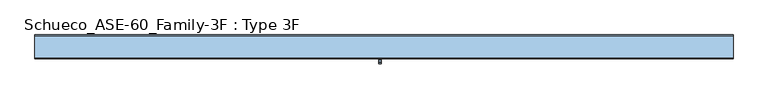
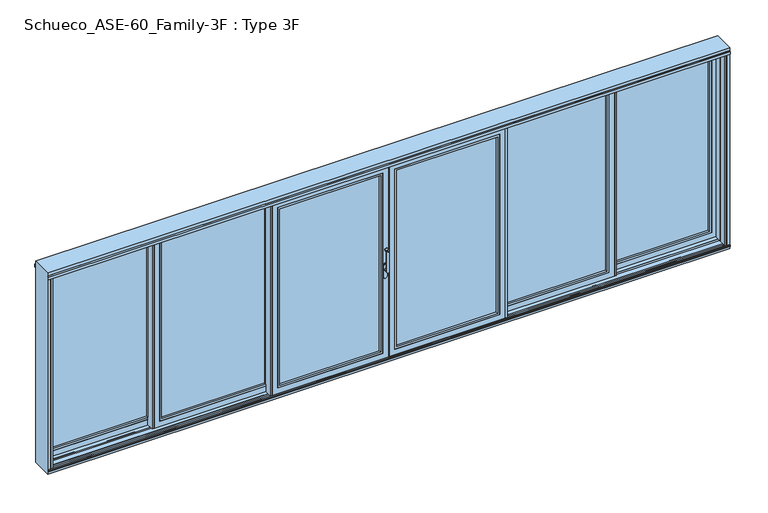
"""IFC4 building model written with IfcOpenShell, lengths in millimetres: window geometry, Schueco_ASE-60_Family-3F : Type 3F."""

from ifc_helpers import new_model, si_unit, point, frame, frame_2d, origin, origin_with_axes, place, context, project, spatial, polyline, circle_curve, trimmed, segment, composite_curve, outline, extrude, faceted_brep, source, transform, mapped, element, save
from ifc_brep_helpers import plane_surface, cylinder_surface, revolved_surface, advanced_brep


def schueco_ase_60_family_3f_type_3f_ba72e3e5(model_context):
    return source(origin(), model_context, "Body", "SolidModel", [
        extrude(outline(polyline([(2342.3316454, 90.0), (2362.3316149, 90.0), (2362.3316149, 84.5), (2346.1317105, 84.5), (2346.1317105, 30.0000255), (2393.3332385, 30.0000255), (2393.3332385, 14.0000255), (2342.3316454, 14.0000255), (2342.3316454, 90.0)])), frame((0.0, 0.0, 3.9982816), z_axis=(0.0, 0.0, 1.0), x_axis=(1.0, 0.0, 0.0)), (0.0, 0.0, 1.0), 2127.0034368),
        extrude(outline(polyline([(2071.0, 3491.0), (2071.0, 2422.3333333), (64.0, 2422.3333333), (64.0, 3491.0), (2071.0, 3491.0)]), holes=[polyline([(2048.987351, 2444.3459824), (2048.987351, 3468.987351), (86.012649, 3468.987351), (86.012649, 2444.3459824), (2048.987351, 2444.3459824)])]), frame((0.0, 30.0000255, 0.0), z_axis=(0.0, 1.0, 0.0), x_axis=(0.0, 0.0, 1.0)), (0.0, 0.0, 1.0), 22.9999656),
        extrude(outline(polyline([(3491.0, 78.9999911), (3491.0, 52.9999911), (2422.3333333, 52.9999911), (2422.3333333, 78.9999911), (3491.0, 78.9999911)])), frame((0.0, 0.0, 64.0), z_axis=(0.0, 0.0, 1.0), x_axis=(1.0, 0.0, 0.0)), (0.0, 0.0, 1.0), 2007.0),
        faceted_brep([(2444.3333333, 78.9999911, 2049.0), (2444.3333333, 78.9999911, 86.0), (2444.3333333, 90.0, 86.0), (2444.3333333, 90.0, 2049.0), (2362.3316149, 90.0, 2131.0017184), (3551.0017184, 90.0, 2131.0017184), (3551.0017184, 90.0, 3.9982816), (2362.3316149, 90.0, 3.9982816), (3469.0, 90.0, 2049.0), (3469.0, 90.0, 86.0), (3469.0, 78.9999911, 86.0), (3491.0, 78.9999911, 2071.0), (2422.3333333, 78.9999911, 2071.0), (2422.3333333, 78.9999911, 64.0), (3491.0, 78.9999911, 64.0), (3469.0, 78.9999911, 2049.0), (2422.3333333, 30.0000255, 2071.0), (2422.3333333, 30.0000255, 64.0), (3491.0, 30.0000255, 64.0), (3551.0, 30.0000255, 2131.0), (2362.3333333, 30.0000255, 2131.0), (2362.3333333, 30.0000255, 4.0), (3551.0, 30.0000255, 4.0), (3491.0, 30.0000255, 2071.0), (2362.3333333, 35.5000255, 2131.0), (2362.3333333, 35.5000255, 4.0), (3551.0, 35.5000255, 4.0), (3551.0, 35.5000255, 2131.0), (3521.0, 35.5000255, 2101.0), (2392.3333333, 35.5000255, 2101.0), (2392.3333333, 35.5000255, 34.0), (3521.0, 35.5000255, 34.0), (2392.3333333, 84.5000332, 2101.0), (2392.3333333, 84.5000332, 34.0), (3521.0, 84.5000332, 34.0), (3551.0017184, 84.5000332, 2131.0017184), (2362.3316149, 84.5000332, 2131.0017184), (2362.3316149, 84.5000332, 3.9982816), (3551.0017184, 84.5000332, 3.9982816), (3521.0, 84.5000332, 2101.0)], [[[0, 1, 2, 3]], [[4, 5, 6, 7], [8, 3, 2, 9]], [[1, 10, 9, 2]], [[11, 12, 13, 14], [0, 15, 10, 1]], [[16, 17, 13, 12]], [[17, 18, 14, 13]], [[19, 20, 21, 22], [16, 23, 18, 17]], [[24, 25, 21, 20]], [[25, 26, 22, 21]], [[24, 27, 26, 25], [28, 29, 30, 31]], [[32, 33, 30, 29]], [[33, 34, 31, 30]], [[35, 36, 37, 38], [32, 39, 34, 33]], [[4, 7, 37, 36]], [[7, 6, 38, 37]], [[10, 15, 8, 9]], [[18, 23, 11, 14]], [[26, 27, 19, 22]], [[34, 39, 28, 31]], [[6, 5, 35, 38]], [[15, 0, 3, 8]], [[23, 16, 12, 11]], [[27, 24, 20, 19]], [[39, 32, 29, 28]], [[5, 4, 36, 35]]]),
        extrude(outline(polyline([(-2342.3316454, 90.0), (-2342.3316454, 14.0000255), (-2393.3332385, 14.0000255), (-2393.3332385, 30.0000255), (-2346.1317105, 30.0000255), (-2346.1317105, 84.5), (-2362.3316149, 84.5), (-2362.3316149, 90.0), (-2342.3316454, 90.0)])), frame((0.0, 0.0, 3.9982816), z_axis=(0.0, 0.0, 1.0), x_axis=(1.0, 0.0, 0.0)), (0.0, 0.0, 1.0), 2127.0034368),
        extrude(outline(polyline([(2071.0, -3491.0), (64.0, -3491.0), (64.0, -2422.3333333), (2071.0, -2422.3333333), (2071.0, -3491.0)]), holes=[polyline([(2048.987351, -2444.3459824), (86.012649, -2444.3459824), (86.012649, -3468.987351), (2048.987351, -3468.987351), (2048.987351, -2444.3459824)])]), frame((0.0, 30.0000255, 0.0), z_axis=(0.0, 1.0, 0.0), x_axis=(0.0, 0.0, 1.0)), (0.0, 0.0, 1.0), 22.9999656),
        extrude(outline(polyline([(-3491.0, 78.9999911), (-2422.3333333, 78.9999911), (-2422.3333333, 52.9999911), (-3491.0, 52.9999911), (-3491.0, 78.9999911)])), frame((0.0, 0.0, 64.0), z_axis=(0.0, 0.0, 1.0), x_axis=(1.0, 0.0, 0.0)), (0.0, 0.0, 1.0), 2007.0),
        faceted_brep([(-2444.3333333, 78.9999911, 2049.0), (-2444.3333333, 90.0, 2049.0), (-2444.3333333, 90.0, 86.0), (-2444.3333333, 78.9999911, 86.0), (-2362.3316149, 90.0, 2131.0017184), (-2362.3316149, 90.0, 3.9982816), (-3551.0017184, 90.0, 3.9982816), (-3551.0017184, 90.0, 2131.0017184), (-3469.0, 90.0, 2049.0), (-3469.0, 90.0, 86.0), (-3469.0, 78.9999911, 86.0), (-3491.0, 78.9999911, 2071.0), (-3491.0, 78.9999911, 64.0), (-2422.3333333, 78.9999911, 64.0), (-2422.3333333, 78.9999911, 2071.0), (-3469.0, 78.9999911, 2049.0), (-2422.3333333, 30.0000255, 2071.0), (-2422.3333333, 30.0000255, 64.0), (-3491.0, 30.0000255, 64.0), (-3551.0, 30.0000255, 2131.0), (-3551.0, 30.0000255, 4.0), (-2362.3333333, 30.0000255, 4.0), (-2362.3333333, 30.0000255, 2131.0), (-3491.0, 30.0000255, 2071.0), (-2362.3333333, 35.5000255, 2131.0), (-2362.3333333, 35.5000255, 4.0), (-3551.0, 35.5000255, 4.0), (-3551.0, 35.5000255, 2131.0), (-3521.0, 35.5000255, 2101.0), (-3521.0, 35.5000255, 34.0), (-2392.3333333, 35.5000255, 34.0), (-2392.3333333, 35.5000255, 2101.0), (-2392.3333333, 84.5000332, 2101.0), (-2392.3333333, 84.5000332, 34.0), (-3521.0, 84.5000332, 34.0), (-3551.0017184, 84.5000332, 2131.0017184), (-3551.0017184, 84.5000332, 3.9982816), (-2362.3316149, 84.5000332, 3.9982816), (-2362.3316149, 84.5000332, 2131.0017184), (-3521.0, 84.5000332, 2101.0)], [[[0, 1, 2, 3]], [[4, 5, 6, 7], [8, 9, 2, 1]], [[3, 2, 9, 10]], [[11, 12, 13, 14], [0, 3, 10, 15]], [[16, 14, 13, 17]], [[17, 13, 12, 18]], [[19, 20, 21, 22], [16, 17, 18, 23]], [[24, 22, 21, 25]], [[25, 21, 20, 26]], [[24, 25, 26, 27], [28, 29, 30, 31]], [[32, 31, 30, 33]], [[33, 30, 29, 34]], [[35, 36, 37, 38], [32, 33, 34, 39]], [[4, 38, 37, 5]], [[5, 37, 36, 6]], [[10, 9, 8, 15]], [[18, 12, 11, 23]], [[26, 20, 19, 27]], [[34, 29, 28, 39]], [[6, 36, 35, 7]], [[15, 8, 1, 0]], [[23, 11, 14, 16]], [[27, 19, 22, 24]], [[39, 28, 31, 32]], [[7, 35, 38, 4]]]),
        advanced_brep(
        [(-30.25, -191.9999695, 999.0), (-30.25, -191.9999695, 1224.2360009), (-54.25, -191.9999695, 1224.2360009), (-54.25, -191.9999695, 999.0), (-30.25, -143.9999695, 999.005052), (-54.25, -143.9999695, 999.005052), (-54.25, -179.9999695, 999.005052), (-30.25, -179.9999695, 999.005052), (-54.25, -191.414183, 1225.6502145), (-54.25, -180.6501229, 1236.4142746), (-54.25, -179.2359094, 1237.000061), (-54.25, -151.9999695, 1237.000061), (-54.25, -149.9999695, 1235.000061), (-54.25, -149.9999695, 1224.000061), (-54.25, -151.9999695, 1222.000061), (-54.25, -172.6493095, 1222.000061), (-54.25, -179.9999695, 1214.6494011), (-30.25, -179.9999695, 1214.6494011), (-30.25, -172.6493095, 1222.000061), (-30.25, -151.9999695, 1222.000061), (-30.25, -149.9999695, 1224.000061), (-30.25, -149.9999695, 1235.000061), (-30.25, -151.9999695, 1237.000061), (-30.25, -179.2359094, 1237.000061), (-30.25, -180.6501229, 1236.4142746), (-30.25, -191.414183, 1225.6502145)],
        [
            (0, 1),
            (1, 2),
            (2, 3),
            (3, 0, circle_curve(frame((-42.25, -191.9999695, 999.005052), z_axis=(0.0, -1.0, 0.0), x_axis=(-1.0000000000000009, 0.0, 0.0)), 12.0)),
            (4, 5, circle_curve(frame((-42.25, -143.9999695, 999.005052), z_axis=(0.0, 1.0, 0.0), x_axis=(-1.0000000000000009, 0.0, 0.0)), 12.0)),
            (5, 4, circle_curve(frame((-42.25, -143.9999695, 999.005052), z_axis=(0.0, 1.0, 0.0), x_axis=(-1.0000000000000009, 0.0, 0.0)), 12.0)),
            (3, 6),
            (6, 5),
            (4, 7),
            (7, 0),
            (6, 7, circle_curve(frame((-42.25, -179.9999695, 999.005052), z_axis=(0.0, 1.0, 0.0), x_axis=(-1.0000000000000009, 0.0, 0.0)), 12.0)),
            (2, 8, circle_curve(frame((-54.25, -189.9999695, 1224.2360009), z_axis=(-1.0, 0.0, 0.0), x_axis=(0.0, 0.0, -1.0)), 2.0)),
            (8, 9),
            (9, 10, circle_curve(frame((-54.25, -179.2359094, 1235.000061), z_axis=(-1.0, 0.0, 0.0), x_axis=(0.0, 0.0, -1.0)), 2.0)),
            (10, 11),
            (11, 12, circle_curve(frame((-54.25, -151.9999695, 1235.000061), z_axis=(-1.0, 0.0, 0.0), x_axis=(0.0, 0.0, -1.0)), 2.0)),
            (12, 13),
            (13, 14, circle_curve(frame((-54.25, -151.9999695, 1224.000061), z_axis=(-1.0, 0.0, 0.0), x_axis=(0.0, 0.0, -1.0)), 2.0)),
            (14, 15),
            (15, 16, circle_curve(frame((-54.25, -172.6493095, 1214.6494011), z_axis=(1.0, 0.0, 0.0), x_axis=(0.0, 0.0, -1.0)), 7.35066)),
            (16, 6),
            (7, 17),
            (17, 18, circle_curve(frame((-30.25, -172.6493095, 1214.6494011), z_axis=(-1.0, 0.0, 0.0), x_axis=(0.0, 0.0, -1.0)), 7.35066)),
            (18, 19),
            (19, 20, circle_curve(frame((-30.25, -151.9999695, 1224.000061), z_axis=(1.0, 0.0, 0.0), x_axis=(0.0, 0.0, -1.0)), 2.0)),
            (20, 21),
            (21, 22, circle_curve(frame((-30.25, -151.9999695, 1235.000061), z_axis=(1.0, 0.0, 0.0), x_axis=(0.0, 0.0, -1.0)), 2.0)),
            (22, 23),
            (23, 24, circle_curve(frame((-30.25, -179.2359094, 1235.000061), z_axis=(1.0, 0.0, 0.0), x_axis=(0.0, 0.0, -1.0)), 2.0)),
            (24, 25),
            (25, 1, circle_curve(frame((-30.25, -189.9999695, 1224.2360009), z_axis=(1.0, 0.0, 0.0), x_axis=(0.0, 0.0, -1.0)), 2.0)),
            (16, 17),
            (15, 18),
            (14, 19),
            (13, 20),
            (12, 21),
            (11, 22),
            (10, 23),
            (9, 24),
            (8, 25),
        ],
        [
            plane_surface(frame((-54.25, -191.9999695, 999.005052), z_axis=(0.0, -1.0, 0.0), x_axis=(0.0, 0.0, 1.0))),
            plane_surface(frame((-54.25, -143.9999695, 999.005052), z_axis=(0.0, 1.0, 0.0), x_axis=(0.0, 0.0, -1.0))),
            cylinder_surface(frame((-42.25, -143.9999695, 999.005052), z_axis=(0.0, -1.0000000000000009, 0.0), x_axis=(-1.0000000000000009, 0.0, 0.0)), 12.0),
            plane_surface(frame((-54.25, -191.9999695, 1004.7503433), z_axis=(-1.0, 0.0, 0.0), x_axis=(0.0, 0.0, -1.0))),
            plane_surface(frame((-30.25, -191.9999695, 1004.7503433), z_axis=(1.0, 0.0, 0.0), x_axis=(0.0, 0.0, 1.0))),
            plane_surface(frame((-54.25, -179.9999695, 999.0), z_axis=(0.0, 1.0, 0.0), x_axis=(1.0, 0.0, 0.0))),
            revolved_surface(polyline([(-30.25, -172.6493095, 1207.2987411), (-54.25000000000004, -172.6493095, 1207.2987411)]), (-30.25, -172.6493095, 1214.6494011), (1.0000000000000009, 0.0, 0.0)),
            plane_surface(frame((-54.25, -172.6493095, 1222.000061), z_axis=(0.0, 0.0, -1.0), x_axis=(1.0, 0.0, 0.0))),
            cylinder_surface(frame((-30.25, -151.9999695, 1224.000061), z_axis=(-1.0000000000000009, 0.0, 0.0), x_axis=(0.0, 0.0, -1.0)), 2.0),
            plane_surface(frame((-54.25, -149.9999695, 1224.000061), z_axis=(0.0, 1.0, 0.0), x_axis=(1.0, 0.0, 0.0))),
            cylinder_surface(frame((-30.25, -151.9999695, 1235.000061), z_axis=(-1.0000000000000009, 0.0, 0.0), x_axis=(0.0, 0.0, -1.0)), 2.0),
            plane_surface(frame((-54.25, -151.9999695, 1237.000061), z_axis=(0.0, 0.0, 1.0), x_axis=(1.0, 0.0, 0.0))),
            cylinder_surface(frame((-30.25, -179.2359094, 1235.000061), z_axis=(-1.0000000000000009, 0.0, 0.0), x_axis=(0.0, 0.0, -1.0)), 2.0),
            plane_surface(frame((-54.25, -180.6501229, 1236.4142746), z_axis=(0.0, -0.7071067811865419, 0.7071067811865531), x_axis=(1.0, 0.0, 0.0))),
            cylinder_surface(frame((-30.25, -189.9999695, 1224.2360009), z_axis=(-1.0000000000000009, 0.0, 0.0), x_axis=(0.0, 0.0, -1.0)), 2.0),
        ],
        [
            (0, [[1, 2, 3, 4]]),
            (1, [[5, 6]]),
            (2, [[7, 8, -5, 9, 10, -4]]),
            (2, [[-8, 11, -9, -6]]),
            (3, [[12, 13, 14, 15, 16, 17, 18, 19, 20, 21, -7, -3]]),
            (4, [[-1, -10, 22, 23, 24, 25, 26, 27, 28, 29, 30, 31]]),
            (5, [[32, -22, -11, -21]]),
            (6, [[33, -23, -32, -20]]),
            (7, [[34, -24, -33, -19]]),
            (8, [[35, -25, -34, -18]]),
            (9, [[36, -26, -35, -17]]),
            (10, [[37, -27, -36, -16]]),
            (11, [[38, -28, -37, -15]]),
            (12, [[39, -29, -38, -14]]),
            (13, [[40, -30, -39, -13]]),
            (14, [[-2, -31, -40, -12]]),
        ],
    ),
        extrude(outline(composite_curve([segment(polyline([(917.2823932, -25.5), (1044.0099288, -25.5)]), True, "CONTINUOUS"), segment(trimmed(circle_curve(frame_2d((1044.0099288, -42.25)), 16.75), [point((1044.0099288, -25.5))], [point((1044.0099288, -59.0))], False, "CARTESIAN"), True, "CONTINUOUS"), segment(polyline([(1044.0099288, -59.0), (917.2823932, -59.0)]), True, "CONTINUOUS"), segment(trimmed(circle_curve(frame_2d((917.2823932, -42.25)), 16.75), [point((917.2823932, -59.0))], [point((917.2823932, -25.5))], False, "CARTESIAN"), True, "CONTINUOUS")], self_intersect=False)), frame((0.0, -143.9999695, 0.0), z_axis=(0.0, 1.0, 0.0), x_axis=(0.0, 0.0, 1.0)), (0.0, 0.0, 1.0), 13.9999695),
        extrude(outline(polyline([(-1196.6650431, -54.0000255), (-1196.6650431, -70.0000255), (-1243.8665711, -70.0000255), (-1243.8665711, -124.5), (-1227.6666667, -124.5), (-1227.6666667, -130.0), (-1247.6666361, -130.0), (-1247.6666361, -54.0000255), (-1196.6650431, -54.0000255)])), frame((0.0, 0.0, 4.0), z_axis=(0.0, 0.0, 1.0), x_axis=(1.0, 0.0, 0.0)), (0.0, 0.0, 1.0), 2127.0),
        extrude(outline(polyline([(2071.0, -64.0), (2071.0, -1167.6666667), (64.0, -1167.6666667), (64.0, -64.0), (2071.0, -64.0)]), holes=[polyline([(2048.987351, -1145.6540176), (2048.987351, -86.012649), (86.012649, -86.012649), (86.012649, -1145.6540176), (2048.987351, -1145.6540176)])]), frame((0.0, -130.0, 0.0), z_axis=(0.0, 1.0, 0.0), x_axis=(0.0, 0.0, 1.0)), (0.0, 0.0, 1.0), 22.9999656),
        extrude(outline(polyline([(-64.0, -81.0000344), (-64.0, -107.0000344), (-1167.6666667, -107.0000344), (-1167.6666667, -81.0000344), (-64.0, -81.0000344)])), frame((0.0, 0.0, 64.0), z_axis=(0.0, 0.0, 1.0), x_axis=(1.0, 0.0, 0.0)), (0.0, 0.0, 1.0), 2007.0),
        faceted_brep([(-1145.6666667, -81.0000344, 2049.0), (-1145.6666667, -81.0000344, 86.0), (-1145.6666667, -70.0000255, 86.0), (-1145.6666667, -70.0000255, 2049.0), (-1227.6683851, -70.0000255, 2131.0017184), (-3.9982816, -70.0000255, 2131.0017184), (-3.9982816, -70.0000255, 3.9982816), (-1227.6683851, -70.0000255, 3.9982816), (-86.0, -70.0000255, 2049.0), (-86.0, -70.0000255, 86.0), (-86.0, -81.0000344, 86.0), (-64.0, -81.0000344, 2071.0), (-1167.6666667, -81.0000344, 2071.0), (-1167.6666667, -81.0000344, 64.0), (-64.0, -81.0000344, 64.0), (-86.0, -81.0000344, 2049.0), (-1167.6666667, -130.0, 2071.0), (-1167.6666667, -130.0, 64.0), (-64.0, -130.0, 64.0), (-4.0, -130.0, 2131.0), (-1227.6666667, -130.0, 2131.0), (-1227.6666667, -130.0, 4.0), (-4.0, -130.0, 4.0), (-64.0, -130.0, 2071.0), (-1227.6666667, -124.5, 2131.0), (-1227.6666667, -124.5, 4.0), (-4.0, -124.5, 4.0), (-4.0, -124.5, 2131.0), (-34.0, -124.5, 2101.0), (-1197.6666667, -124.5, 2101.0), (-1197.6666667, -124.5, 34.0), (-34.0, -124.5, 34.0), (-1197.6666667, -75.4999923, 2101.0), (-1197.6666667, -75.4999923, 34.0), (-34.0, -75.4999923, 34.0), (-3.9982816, -75.4999923, 2131.0017184), (-1227.6683851, -75.4999923, 2131.0017184), (-1227.6683851, -75.4999923, 3.9982816), (-3.9982816, -75.4999923, 3.9982816), (-34.0, -75.4999923, 2101.0)], [[[0, 1, 2, 3]], [[4, 5, 6, 7], [8, 3, 2, 9]], [[1, 10, 9, 2]], [[11, 12, 13, 14], [0, 15, 10, 1]], [[16, 17, 13, 12]], [[17, 18, 14, 13]], [[19, 20, 21, 22], [16, 23, 18, 17]], [[24, 25, 21, 20]], [[25, 26, 22, 21]], [[24, 27, 26, 25], [28, 29, 30, 31]], [[32, 33, 30, 29]], [[33, 34, 31, 30]], [[35, 36, 37, 38], [32, 39, 34, 33]], [[4, 7, 37, 36]], [[7, 6, 38, 37]], [[10, 15, 8, 9]], [[18, 23, 11, 14]], [[26, 27, 19, 22]], [[34, 39, 28, 31]], [[6, 5, 35, 38]], [[15, 0, 3, 8]], [[23, 16, 12, 11]], [[27, 24, 20, 19]], [[39, 32, 29, 28]], [[5, 4, 36, 35]]]),
        extrude(outline(polyline([(-12.2016228, -124.5), (-12.2016228, -75.5000255), (34.0, -75.5000255), (34.0, -124.5), (-12.2016228, -124.5)])), frame((0.0, 0.0, 34.0), z_axis=(0.0, 0.0, 1.0), x_axis=(1.0, 0.0, 0.0)), (0.0, 0.0, 1.0), 2067.0),
        extrude(outline(polyline([(1196.6650431, -54.0000255), (1247.6666361, -54.0000255), (1247.6666361, -130.0), (1227.6666667, -130.0), (1227.6666667, -124.5), (1243.8665711, -124.5), (1243.8665711, -70.0000255), (1196.6650431, -70.0000255), (1196.6650431, -54.0000255)])), frame((0.0, 0.0, 4.0), z_axis=(0.0, 0.0, 1.0), x_axis=(1.0, 0.0, 0.0)), (0.0, 0.0, 1.0), 2127.0),
        extrude(outline(polyline([(2071.0, 64.0), (64.0, 64.0), (64.0, 1167.6666667), (2071.0, 1167.6666667), (2071.0, 64.0)]), holes=[polyline([(2048.987351, 1145.6540176), (86.012649, 1145.6540176), (86.012649, 86.012649), (2048.987351, 86.012649), (2048.987351, 1145.6540176)])]), frame((0.0, -130.0, 0.0), z_axis=(0.0, 1.0, 0.0), x_axis=(0.0, 0.0, 1.0)), (0.0, 0.0, 1.0), 22.9999656),
        extrude(outline(polyline([(64.0, -81.0000344), (1167.6666667, -81.0000344), (1167.6666667, -107.0000344), (64.0, -107.0000344), (64.0, -81.0000344)])), frame((0.0, 0.0, 64.0), z_axis=(0.0, 0.0, 1.0), x_axis=(1.0, 0.0, 0.0)), (0.0, 0.0, 1.0), 2007.0),
        faceted_brep([(1145.6666667, -81.0000344, 2049.0), (1145.6666667, -70.0000255, 2049.0), (1145.6666667, -70.0000255, 86.0), (1145.6666667, -81.0000344, 86.0), (1227.6683851, -70.0000255, 2131.0017184), (1227.6683851, -70.0000255, 3.9982816), (3.9982816, -70.0000255, 3.9982816), (3.9982816, -70.0000255, 2131.0017184), (86.0, -70.0000255, 2049.0), (86.0, -70.0000255, 86.0), (86.0, -81.0000344, 86.0), (64.0, -81.0000344, 2071.0), (64.0, -81.0000344, 64.0), (1167.6666667, -81.0000344, 64.0), (1167.6666667, -81.0000344, 2071.0), (86.0, -81.0000344, 2049.0), (1167.6666667, -130.0, 2071.0), (1167.6666667, -130.0, 64.0), (64.0, -130.0, 64.0), (4.0, -130.0, 2131.0), (4.0, -130.0, 4.0), (1227.6666667, -130.0, 4.0), (1227.6666667, -130.0, 2131.0), (64.0, -130.0, 2071.0), (1227.6666667, -124.5, 2131.0), (1227.6666667, -124.5, 4.0), (4.0, -124.5, 4.0), (4.0, -124.5, 2131.0), (34.0, -124.5, 2101.0), (34.0, -124.5, 34.0), (1197.6666667, -124.5, 34.0), (1197.6666667, -124.5, 2101.0), (1197.6666667, -75.4999923, 2101.0), (1197.6666667, -75.4999923, 34.0), (34.0, -75.4999923, 34.0), (3.9982816, -75.4999923, 2131.0017184), (3.9982816, -75.4999923, 3.9982816), (1227.6683851, -75.4999923, 3.9982816), (1227.6683851, -75.4999923, 2131.0017184), (34.0, -75.4999923, 2101.0)], [[[0, 1, 2, 3]], [[4, 5, 6, 7], [8, 9, 2, 1]], [[3, 2, 9, 10]], [[11, 12, 13, 14], [0, 3, 10, 15]], [[16, 14, 13, 17]], [[17, 13, 12, 18]], [[19, 20, 21, 22], [16, 17, 18, 23]], [[24, 22, 21, 25]], [[25, 21, 20, 26]], [[24, 25, 26, 27], [28, 29, 30, 31]], [[32, 31, 30, 33]], [[33, 30, 29, 34]], [[35, 36, 37, 38], [32, 33, 34, 39]], [[4, 38, 37, 5]], [[5, 37, 36, 6]], [[10, 9, 8, 15]], [[18, 12, 11, 23]], [[26, 20, 19, 27]], [[34, 29, 28, 39]], [[6, 36, 35, 7]], [[15, 8, 1, 0]], [[23, 11, 14, 16]], [[27, 19, 22, 24]], [[39, 28, 31, 32]], [[7, 35, 38, 4]]]),
        extrude(outline(polyline([(-1145.6649788, 10.0), (-1145.6649788, -65.9999745), (-1196.6665719, -65.9999745), (-1196.6665719, -49.9999745), (-1149.4650438, -49.9999745), (-1149.4650438, 4.5), (-1165.6649483, 4.5), (-1165.6649483, 10.0), (-1145.6649788, 10.0)])), frame((0.0, 0.0, 3.9982816), z_axis=(0.0, 0.0, 1.0), x_axis=(1.0, 0.0, 0.0)), (0.0, 0.0, 1.0), 2127.0034368),
        extrude(outline(polyline([(-2393.3317097, 26.0), (-2393.3317097, 10.0), (-2440.5332378, 10.0), (-2440.5332378, -44.4999745), (-2424.3333333, -44.4999745), (-2424.3333333, -49.9999745), (-2444.3333028, -49.9999745), (-2444.3333028, 26.0), (-2393.3317097, 26.0)])), frame((0.0, 0.0, 4.0), z_axis=(0.0, 0.0, 1.0), x_axis=(1.0, 0.0, 0.0)), (0.0, 0.0, 1.0), 2127.0),
        extrude(outline(polyline([(2071.0, -1225.6666667), (2071.0, -2364.3333333), (64.0, -2364.3333333), (64.0, -1225.6666667), (2071.0, -1225.6666667)]), holes=[polyline([(2048.987351, -2342.3206843), (2048.987351, -1247.6793157), (86.012649, -1247.6793157), (86.012649, -2342.3206843), (2048.987351, -2342.3206843)])]), frame((0.0, -49.9999745, 0.0), z_axis=(0.0, 1.0, 0.0), x_axis=(0.0, 0.0, 1.0)), (0.0, 0.0, 1.0), 22.9999656),
        extrude(outline(polyline([(-1225.6666667, -1.0000089), (-1225.6666667, -27.0000089), (-2364.3333333, -27.0000089), (-2364.3333333, -1.0000089), (-1225.6666667, -1.0000089)])), frame((0.0, 0.0, 64.0), z_axis=(0.0, 0.0, 1.0), x_axis=(1.0, 0.0, 0.0)), (0.0, 0.0, 1.0), 2007.0),
        faceted_brep([(-2342.3333333, -1.0000089, 2049.0), (-2342.3333333, -1.0000089, 86.0), (-2342.3333333, 10.0, 86.0), (-2342.3333333, 10.0, 2049.0), (-2424.3350517, 10.0, 2131.0017184), (-1165.6649483, 10.0, 2131.0017184), (-1165.6649483, 10.0, 3.9982816), (-2424.3350517, 10.0, 3.9982816), (-1247.6666667, 10.0, 2049.0), (-1247.6666667, 10.0, 86.0), (-1247.6666667, -1.0000089, 86.0), (-1225.6666667, -1.0000089, 2071.0), (-2364.3333333, -1.0000089, 2071.0), (-2364.3333333, -1.0000089, 64.0), (-1225.6666667, -1.0000089, 64.0), (-1247.6666667, -1.0000089, 2049.0), (-2364.3333333, -49.9999745, 2071.0), (-2364.3333333, -49.9999745, 64.0), (-1225.6666667, -49.9999745, 64.0), (-1165.6666667, -49.9999745, 2131.0), (-2424.3333333, -49.9999745, 2131.0), (-2424.3333333, -49.9999745, 4.0), (-1165.6666667, -49.9999745, 4.0), (-1225.6666667, -49.9999745, 2071.0), (-2424.3333333, -44.4999745, 2131.0), (-2424.3333333, -44.4999745, 4.0), (-1165.6666667, -44.4999745, 4.0), (-1165.6666667, -44.4999745, 2131.0), (-1195.6666667, -44.4999745, 2101.0), (-2394.3333333, -44.4999745, 2101.0), (-2394.3333333, -44.4999745, 34.0), (-1195.6666667, -44.4999745, 34.0), (-2394.3333333, 4.5000332, 2101.0), (-2394.3333333, 4.5000332, 34.0), (-1195.6666667, 4.5000332, 34.0), (-1165.6649483, 4.5000332, 2131.0017184), (-2424.3350517, 4.5000332, 2131.0017184), (-2424.3350517, 4.5000332, 3.9982816), (-1165.6649483, 4.5000332, 3.9982816), (-1195.6666667, 4.5000332, 2101.0)], [[[0, 1, 2, 3]], [[4, 5, 6, 7], [8, 3, 2, 9]], [[1, 10, 9, 2]], [[11, 12, 13, 14], [0, 15, 10, 1]], [[16, 17, 13, 12]], [[17, 18, 14, 13]], [[19, 20, 21, 22], [16, 23, 18, 17]], [[24, 25, 21, 20]], [[25, 26, 22, 21]], [[24, 27, 26, 25], [28, 29, 30, 31]], [[32, 33, 30, 29]], [[33, 34, 31, 30]], [[35, 36, 37, 38], [32, 39, 34, 33]], [[4, 7, 37, 36]], [[7, 6, 38, 37]], [[10, 15, 8, 9]], [[18, 23, 11, 14]], [[26, 27, 19, 22]], [[34, 39, 28, 31]], [[6, 5, 35, 38]], [[15, 0, 3, 8]], [[23, 16, 12, 11]], [[27, 24, 20, 19]], [[39, 32, 29, 28]], [[5, 4, 36, 35]]]),
        extrude(outline(polyline([(1145.6649788, 10.0), (1165.6649483, 10.0), (1165.6649483, 4.5), (1149.4650438, 4.5), (1149.4650438, -49.9999745), (1196.6665719, -49.9999745), (1196.6665719, -65.9999745), (1145.6649788, -65.9999745), (1145.6649788, 10.0)])), frame((0.0, 0.0, 3.9982816), z_axis=(0.0, 0.0, 1.0), x_axis=(1.0, 0.0, 0.0)), (0.0, 0.0, 1.0), 2127.0034368),
        extrude(outline(polyline([(2393.3317097, 26.0), (2444.3333028, 26.0), (2444.3333028, -49.9999745), (2424.3333333, -49.9999745), (2424.3333333, -44.4999745), (2440.5332378, -44.4999745), (2440.5332378, 10.0), (2393.3317097, 10.0), (2393.3317097, 26.0)])), frame((0.0, 0.0, 4.0), z_axis=(0.0, 0.0, 1.0), x_axis=(1.0, 0.0, 0.0)), (0.0, 0.0, 1.0), 2127.0),
        extrude(outline(polyline([(2071.0, 1225.6666667), (64.0, 1225.6666667), (64.0, 2364.3333333), (2071.0, 2364.3333333), (2071.0, 1225.6666667)]), holes=[polyline([(2048.987351, 2342.3206843), (86.012649, 2342.3206843), (86.012649, 1247.6793157), (2048.987351, 1247.6793157), (2048.987351, 2342.3206843)])]), frame((0.0, -49.9999745, 0.0), z_axis=(0.0, 1.0, 0.0), x_axis=(0.0, 0.0, 1.0)), (0.0, 0.0, 1.0), 22.9999656),
        extrude(outline(polyline([(1225.6666667, -1.0000089), (2364.3333333, -1.0000089), (2364.3333333, -27.0000089), (1225.6666667, -27.0000089), (1225.6666667, -1.0000089)])), frame((0.0, 0.0, 64.0), z_axis=(0.0, 0.0, 1.0), x_axis=(1.0, 0.0, 0.0)), (0.0, 0.0, 1.0), 2007.0),
        faceted_brep([(2342.3333333, -1.0000089, 2049.0), (2342.3333333, 10.0, 2049.0), (2342.3333333, 10.0, 86.0), (2342.3333333, -1.0000089, 86.0), (2424.3350517, 10.0, 2131.0017184), (2424.3350517, 10.0, 3.9982816), (1165.6649483, 10.0, 3.9982816), (1165.6649483, 10.0, 2131.0017184), (1247.6666667, 10.0, 2049.0), (1247.6666667, 10.0, 86.0), (1247.6666667, -1.0000089, 86.0), (1225.6666667, -1.0000089, 2071.0), (1225.6666667, -1.0000089, 64.0), (2364.3333333, -1.0000089, 64.0), (2364.3333333, -1.0000089, 2071.0), (1247.6666667, -1.0000089, 2049.0), (2364.3333333, -49.9999745, 2071.0), (2364.3333333, -49.9999745, 64.0), (1225.6666667, -49.9999745, 64.0), (1165.6666667, -49.9999745, 2131.0), (1165.6666667, -49.9999745, 4.0), (2424.3333333, -49.9999745, 4.0), (2424.3333333, -49.9999745, 2131.0), (1225.6666667, -49.9999745, 2071.0), (2424.3333333, -44.4999745, 2131.0), (2424.3333333, -44.4999745, 4.0), (1165.6666667, -44.4999745, 4.0), (1165.6666667, -44.4999745, 2131.0), (1195.6666667, -44.4999745, 2101.0), (1195.6666667, -44.4999745, 34.0), (2394.3333333, -44.4999745, 34.0), (2394.3333333, -44.4999745, 2101.0), (2394.3333333, 4.5000332, 2101.0), (2394.3333333, 4.5000332, 34.0), (1195.6666667, 4.5000332, 34.0), (1165.6649483, 4.5000332, 2131.0017184), (1165.6649483, 4.5000332, 3.9982816), (2424.3350517, 4.5000332, 3.9982816), (2424.3350517, 4.5000332, 2131.0017184), (1195.6666667, 4.5000332, 2101.0)], [[[0, 1, 2, 3]], [[4, 5, 6, 7], [8, 9, 2, 1]], [[3, 2, 9, 10]], [[11, 12, 13, 14], [0, 3, 10, 15]], [[16, 14, 13, 17]], [[17, 13, 12, 18]], [[19, 20, 21, 22], [16, 17, 18, 23]], [[24, 22, 21, 25]], [[25, 21, 20, 26]], [[24, 25, 26, 27], [28, 29, 30, 31]], [[32, 31, 30, 33]], [[33, 30, 29, 34]], [[35, 36, 37, 38], [32, 33, 34, 39]], [[4, 38, 37, 5]], [[5, 37, 36, 6]], [[10, 9, 8, 15]], [[18, 12, 11, 23]], [[26, 20, 19, 27]], [[34, 29, 28, 39]], [[6, 36, 35, 7]], [[15, 8, 1, 0]], [[23, 11, 14, 16]], [[27, 19, 22, 24]], [[39, 28, 31, 32]], [[7, 35, 38, 4]]]),
        extrude(outline(polyline([(-3539.0, -55.0), (-3539.0, -130.0), (-3550.0, -130.0), (-3550.0, -121.2), (-3542.0, -118.2882381), (-3542.0, -59.0), (-3558.0007202, -59.0), (-3558.0007202, -55.0), (-3539.0, -55.0)])), origin_with_axes(), (0.0, 0.0, 1.0), 2157.5),
        extrude(outline(polyline([(-3539.0, 25.0), (-3539.0, -50.0), (-3550.0, -50.0), (-3550.0, -41.2), (-3542.0, -38.2882381), (-3542.0, 21.0), (-3558.0007202, 21.0), (-3558.0007202, 25.0), (-3539.0, 25.0)])), origin_with_axes(), (0.0, 0.0, 1.0), 2157.5),
        extrude(outline(polyline([(3539.0, -55.0), (3558.0007202, -55.0), (3558.0007202, -59.0), (3542.0, -59.0), (3542.0, -118.2882381), (3550.0, -121.2), (3550.0, -130.0), (3539.0, -130.0), (3539.0, -55.0)])), origin_with_axes(), (0.0, 0.0, 1.0), 2157.5),
        extrude(outline(polyline([(3539.0, 25.0), (3558.0007202, 25.0), (3558.0007202, 21.0), (3542.0, 21.0), (3542.0, -38.2882381), (3550.0, -41.2), (3550.0, -50.0), (3539.0, -50.0), (3539.0, 25.0)])), origin_with_axes(), (0.0, 0.0, 1.0), 2157.5),
        faceted_brep([(3590.0, 90.0, -51.0), (3590.0, -130.0, -51.0), (-3590.0, -130.0, -51.0), (-3590.0, 90.0, -51.0), (3590.0, 90.0, 2190.0), (3590.0, -130.0, 2190.0), (-3590.0, -130.0, 2190.0), (-3558.0, -130.0, -19.0), (-3558.0, -130.0, 2157.5), (3558.0, -130.0, 2157.5), (3558.0, -130.0, -19.0), (-3590.0, 90.0, 2190.0), (3558.0, 90.0, -19.0), (3558.0, 90.0, 2157.5), (-3558.0, 90.0, 2157.5), (-3558.0, 90.0, -19.0), (-3558.0, -121.2000255, -19.0), (-3558.0, -121.2000255, 2157.5), (3558.0, -121.2000255, 2157.5), (3558.0, -121.2000255, -19.0), (3542.0, -81.7120495, -3.0), (3542.0, -118.2882636, -3.0), (3542.0, -118.2882636, 2122.0), (3542.0, -81.7120495, 2122.0), (3542.0, -81.7120495, 2155.2007202), (3542.0, -81.7120495, 2130.9120495), (3542.0, -85.8, 2135.0), (3542.0, -85.8, 2155.2007202), (3542.0, -118.2882636, 2130.9117364), (3542.0, -118.2882636, 2142.0), (3542.0, -114.2, 2142.0), (3542.0, -114.2, 2135.0), (-3542.0, -81.7120242, -3.0), (-3542.0, -118.2882383, -3.0), (3550.0, -121.2000255, -11.00007), (3550.0, -121.2000255, 2150.0), (3546.7029571, -120.0, 2129.2), (3546.7029571, -120.0, 2122.0), (3550.0007202, -78.8000255, -11.0006502), (3546.7038173, -80.0, 2122.0), (3546.7038173, -80.0, 2129.2), (3550.0007202, -78.8000255, 2155.2007202), (-3550.0, -121.2000255, -11.00007), (-3550.0, -121.2000255, 2150.0), (-3541.9999997, -118.2882635, 2122.0), (-3546.7029571, -120.0, 2122.0), (-3546.7029571, -120.0, 2129.2), (-3541.9999996, -118.2882635, 2130.9117365), (-3541.9999998, -118.2882635, 2142.0), (-3550.0007202, -78.8000255, -11.0006502), (3558.0007202, -78.8000255, 2155.2007202), (3558.0007202, -78.8000255, -19.0007202), (-3558.0007202, -78.8000255, -19.0007202), (-3558.0007202, -78.8000255, 2155.2007202), (-3550.0007202, -78.8000255, 2155.2007202), (3558.0007202, -41.2000255, -19.0007202), (3558.0007202, -41.2000255, 2155.2007202), (-3558.0007202, -41.2000255, -19.0007202), (-3558.0007202, -41.2000255, 2155.2007202), (-3542.0000001, -81.7120494, 2155.2007202), (-3542.0000002, -81.7120494, 2130.9120494), (-3546.7038173, -80.0, 2129.2), (-3546.7038173, -80.0, 2122.0), (-3542.0000003, -81.7120494, 2122.0), (3550.0007202, -41.2000255, -11.0007902), (-3550.0007202, -41.2000255, -11.0007902), (-3550.0007202, -41.2000255, 2155.2007202), (3550.0007202, -41.2000255, 2155.2007202), (3541.9999672, -38.2879895, -3.0000372), (-3541.9999305, -38.287976, -3.0000001), (-3541.9999978, -38.2880007, 2122.0), (-3546.7036773, -40.0, 2122.0), (-3546.7036773, -40.0, 2129.2), (-3541.9999981, -38.2880008, 2130.9119992), (-3541.9999989, -38.2880011, 2155.2007202), (3542.0, -38.2880015, 2155.2007202), (3542.0, -38.2880015, 2130.9119985), (3546.7036773, -40.0, 2129.2), (3546.7036773, -40.0, 2122.0), (3542.0, -38.2880015, 2122.0), (3542.0, -34.2, 2155.2007202), (3542.0, -34.2, 2135.0), (3542.0, -1.7117619, -3.0), (3542.0, -1.7117619, 2122.0), (3542.0, -1.7117619, 2155.2007202), (3542.0, -1.7117619, 2130.9117619), (3542.0, -5.8, 2135.0), (3542.0, -5.8, 2155.2007202), (-3542.0, -1.7117619, -3.0), (3550.0, 1.2, -11.0), (3546.7030271, 0.0, 2122.0), (3546.7030271, 0.0, 2129.2), (3550.0, 1.2, 2155.2007202), (-3550.0, 1.2, -11.0), (3558.0, 1.2, 2155.2007202), (3558.0, 1.2, -19.0), (-3558.0, 1.2, -19.0), (-3558.0, 1.2, 2155.2007202), (-3550.0, 1.2, 2155.2007202), (-3542.0, -1.7117619, 2155.2007202), (-3542.0, -1.7117619, 2130.9117619), (-3546.7030271, 0.0, 2129.2), (-3546.7030271, 0.0, 2122.0), (-3542.0, -1.7117619, 2122.0), (3558.0, 38.7999745, -19.0), (-3558.0, 38.7999745, -19.0), (-3558.0, 38.7999745, 2155.2007202), (3558.0, 38.7999745, 2155.2007202), (3550.0007202, 38.7999745, -11.0007902), (-3550.0007202, 38.7999745, -11.0007902), (-3550.0007202, 38.7999745, 2155.2007202), (3550.0007202, 38.7999745, 2155.2007202), (-3542.0, -5.8, 2155.2007202), (-3542.0, -5.8, 2135.0), (-3542.0, -34.2, 2135.0), (-3542.0, -34.2, 2155.2007202), (-3542.0, -85.8, 2155.2007202), (-3542.0, -85.8, 2135.0), (-3542.0, -114.2, 2135.0), (-3542.0, -114.2, 2142.0), (3542.0, 41.7119985, -3.00007), (-3541.9999305, 41.7120238, -3.0000005), (-3541.9999978, 41.7119993, 2122.0), (-3546.7036773, 40.0, 2122.0), (-3546.7036773, 40.0, 2129.2), (-3541.9999981, 41.7119992, 2130.9119992), (-3541.9999989, 41.7119989, 2155.2007202), (-3542.0, 45.8, 2135.0), (-3542.0, 45.8, 2155.2007202), (-3542.0, 78.2882381, -3.0), (-3542.0, 78.2882381, 2122.0), (-3542.0, 78.2882381, 2130.9117619), (-3542.0, 78.2882381, 2142.0), (-3542.0, 74.2, 2142.0), (-3542.0, 74.2, 2135.0), (3542.0, 78.2882381, -3.0), (-3550.0, 81.2, -11.0), (-3550.0, 81.2, 2150.0), (-3546.7030271, 80.0, 2129.2), (-3546.7030271, 80.0, 2122.0), (3550.0, 81.2, -11.0), (3558.0, 81.2, -19.0), (-3558.0, 81.2, -19.0), (-3558.0, 81.2, 2157.5), (3558.0, 81.2, 2157.5), (3550.0, 81.2, 2150.0), (3542.0, 78.2882381, 2122.0), (3546.7030271, 80.0, 2122.0), (3546.7030271, 80.0, 2129.2), (3542.0, 78.2882381, 2130.9117619), (3542.0, 78.2882381, 2142.0), (3542.0, 41.7119985, 2122.0), (3542.0, 74.2, 2135.0), (3542.0, 74.2, 2142.0), (3542.0, 41.7119985, 2130.9119985), (3542.0, 41.7119985, 2155.2007202), (3542.0, 45.8, 2155.2007202), (3542.0, 45.8, 2135.0), (3546.7036773, 40.0, 2129.2), (3546.7036773, 40.0, 2122.0)], [[[0, 1, 2, 3]], [[0, 4, 5, 1]], [[5, 6, 2, 1], [7, 8, 9, 10]], [[11, 3, 2, 6]], [[11, 4, 0, 3], [12, 13, 14, 15]], [[7, 16, 17, 8]], [[18, 19, 10, 9]], [[10, 19, 16, 7]], [[20, 21, 22, 23]], [[24, 25, 26, 27]], [[28, 29, 30, 31]], [[21, 20, 32, 33]], [[21, 34, 35, 29, 28, 36, 37, 22]], [[38, 20, 23, 39, 40, 25, 24, 41]], [[16, 19, 18, 17], [34, 42, 43, 35]], [[34, 21, 33, 42]], [[42, 33, 44, 45, 46, 47, 48, 43]], [[20, 38, 49, 32]], [[49, 38, 41, 50, 51, 52, 53, 54]], [[55, 51, 50, 56]], [[51, 55, 57, 52]], [[52, 57, 58, 53]], [[32, 49, 54, 59, 60, 61, 62, 63]], [[64, 65, 66, 58, 57, 55, 56, 67]], [[64, 68, 69, 65]], [[65, 69, 70, 71, 72, 73, 74, 66]], [[68, 64, 67, 75, 76, 77, 78, 79]], [[76, 75, 80, 81]], [[82, 68, 79, 83]], [[84, 85, 86, 87]], [[68, 82, 88, 69]], [[89, 82, 83, 90, 91, 85, 84, 92]], [[82, 89, 93, 88]], [[93, 89, 92, 94, 95, 96, 97, 98]], [[88, 93, 98, 99, 100, 101, 102, 103]], [[95, 104, 105, 96]], [[96, 105, 106, 97]], [[104, 95, 94, 107]], [[108, 109, 110, 106, 105, 104, 107, 111]], [[69, 88, 103, 70]], [[100, 99, 112, 113]], [[74, 73, 114, 115]], [[33, 32, 63, 44]], [[60, 59, 116, 117]], [[48, 47, 118, 119]], [[108, 120, 121, 109]], [[109, 121, 122, 123, 124, 125, 126, 110]], [[126, 125, 127, 128]], [[121, 129, 130, 122]], [[131, 132, 133, 134]], [[120, 135, 129, 121]], [[129, 136, 137, 132, 131, 138, 139, 130]], [[135, 140, 136, 129]], [[141, 142, 143, 144], [136, 140, 145, 137]], [[143, 142, 15, 14]], [[141, 12, 15, 142]], [[12, 141, 144, 13]], [[140, 135, 146, 147, 148, 149, 150, 145]], [[135, 120, 151, 146]], [[150, 149, 152, 153]], [[154, 155, 156, 157]], [[120, 108, 111, 155, 154, 158, 159, 151]], [[5, 4, 11, 6]], [[9, 8, 17, 18]], [[62, 39, 23, 22, 37, 45, 44, 63]], [[117, 26, 25, 40, 61, 60]], [[116, 27, 26, 117]], [[115, 80, 75, 67, 56, 50, 41, 24, 27, 116, 59, 54, 53, 58, 66, 74]], [[29, 48, 119, 30]], [[118, 31, 30, 119]], [[46, 36, 28, 31, 118, 47]], [[48, 29, 35, 43]], [[45, 37, 36, 46]], [[61, 40, 39, 62]], [[72, 77, 76, 81, 114, 73]], [[71, 78, 77, 72]], [[102, 90, 83, 79, 78, 71, 70, 103]], [[114, 81, 80, 115]], [[113, 86, 85, 91, 101, 100]], [[112, 87, 86, 113]], [[101, 91, 90, 102]], [[128, 156, 155, 111, 107, 94, 92, 84, 87, 112, 99, 98, 97, 106, 110, 126]], [[156, 128, 127, 157]], [[139, 147, 146, 151, 159, 123, 122, 130]], [[123, 159, 158, 124]], [[124, 158, 154, 157, 127, 125]], [[132, 150, 153, 133]], [[133, 153, 152, 134]], [[134, 152, 149, 148, 138, 131]], [[137, 145, 150, 132]], [[138, 148, 147, 139]], [[14, 13, 144, 143]]]),
        extrude(outline(polyline([(-143.0, -2.0), (-130.0, -2.0), (-130.0, -21.8), (-136.4, -21.8), (-143.0, -15.2), (-143.0, -2.0)])), frame((-3590.0, 0.0, 0.0), z_axis=(1.0, 0.0, 0.0), x_axis=(0.0, 1.0, 0.0)), (0.0, 0.0, 1.0), 7180.0),
        extrude(outline(polyline([(-121.2000255, 2150.5), (-138.5243789, 2150.5), (-141.0000233, 2149.0706861), (-141.0000233, 2121.5), (-142.6000233, 2121.5), (-142.6000233, 2150.225198), (-129.9996967, 2157.5), (-121.2000255, 2157.5), (-121.2000255, 2150.5)])), frame((-3590.0, 0.0, 0.0), z_axis=(1.0, 0.0, 0.0), x_axis=(0.0, 1.0, 0.0)), (0.0, 0.0, 1.0), 7180.0),
        extrude(outline(polyline([(81.2000255, 2150.5), (81.2000255, 2157.5), (89.9996967, 2157.5), (102.6000233, 2150.225198), (102.6000233, 2121.5), (101.0000233, 2121.5), (101.0000233, 2149.0706861), (98.5243789, 2150.5), (81.2000255, 2150.5)])), frame((-3590.0, 0.0, 0.0), z_axis=(1.0, 0.0, 0.0), x_axis=(0.0, 1.0, 0.0)), (0.0, 0.0, 1.0), 7180.0),
        extrude(outline(polyline([(38.7999745, -11.0007902), (38.7999745, -19.0007202), (1.1999745, -19.0007202), (1.1999745, -11.0006502), (-1.7120375, -2.9999628), (-8.0, -2.9999628), (-8.0, 0.0), (48.0000255, 0.0), (48.0000255, -3.0), (41.712024, -3.0), (38.7999745, -11.0007902)])), frame((-3558.0007202, 0.0, 0.0), z_axis=(1.0, 0.0, 0.0), x_axis=(0.0, 1.0, 0.0)), (0.0, 0.0, 1.0), 7116.0014404),
        extrude(outline(polyline([(90.0, -11.0), (81.2, -11.0), (78.2882381, -3.0), (72.0000255, -3.0), (72.0000255, 0.0), (90.0, 0.0), (90.0, -11.0)])), frame((-3558.0007202, 0.0, 0.0), z_axis=(1.0, 0.0, 0.0), x_axis=(0.0, 1.0, 0.0)), (0.0, 0.0, 1.0), 7116.0014404),
        extrude(outline(polyline([(-118.2882246, -2.9999628), (-121.2000255, -11.00007), (-121.2000255, -19.0007202), (-130.0, -19.0007202), (-130.0, 0.0), (-112.0, 0.0), (-112.0, -2.9999628), (-118.2882246, -2.9999628)])), frame((-3558.0007202, 0.0, 0.0), z_axis=(1.0, 0.0, 0.0), x_axis=(0.0, 1.0, 0.0)), (0.0, 0.0, 1.0), 7116.0014404),
        extrude(outline(polyline([(-41.2000255, -11.0007902), (-41.2000255, -19.0007202), (-78.8000255, -19.0007202), (-78.8000255, -11.0006502), (-81.7120375, -2.9999628), (-88.0, -2.9999628), (-88.0, 0.0), (-31.9999745, 0.0), (-31.9999745, -3.0), (-38.287976, -3.0), (-41.2000255, -11.0007902)])), frame((-3558.0007202, 0.0, 0.0), z_axis=(1.0, 0.0, 0.0), x_axis=(0.0, 1.0, 0.0)), (0.0, 0.0, 1.0), 7116.0014404),
    ])


if __name__ == "__main__":
    model = new_model("IFC4")
    model_context = context("Model", 3, world=origin())
    ifc_project = project(units=[si_unit("LENGTHUNIT", "METRE", prefix="MILLI")], contexts=[model_context])
    site = spatial("IfcSite", under=ifc_project)
    building = spatial("IfcBuilding", under=site)
    placement = place(None, origin())
    schueco_ase_60_family_3f_type_3f_shape = schueco_ase_60_family_3f_type_3f_ba72e3e5(model_context)
    element("IfcWindow", 1, ObjectType="Schueco_ASE-60_Family-3F : Type 3F", at=placement, inside=building, context=model_context, shape_type="MappedRepresentation", body=[
        mapped(schueco_ase_60_family_3f_type_3f_shape, transform((0.0, 0.0, 0.0), x_axis=(1.0, 0.0, 0.0), y_axis=(0.0, 1.0, 0.0), z_axis=(0.0, 0.0, 1.0))),
    ])
    save(model, "model.ifc")
